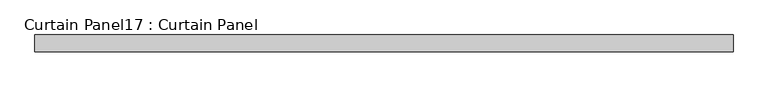
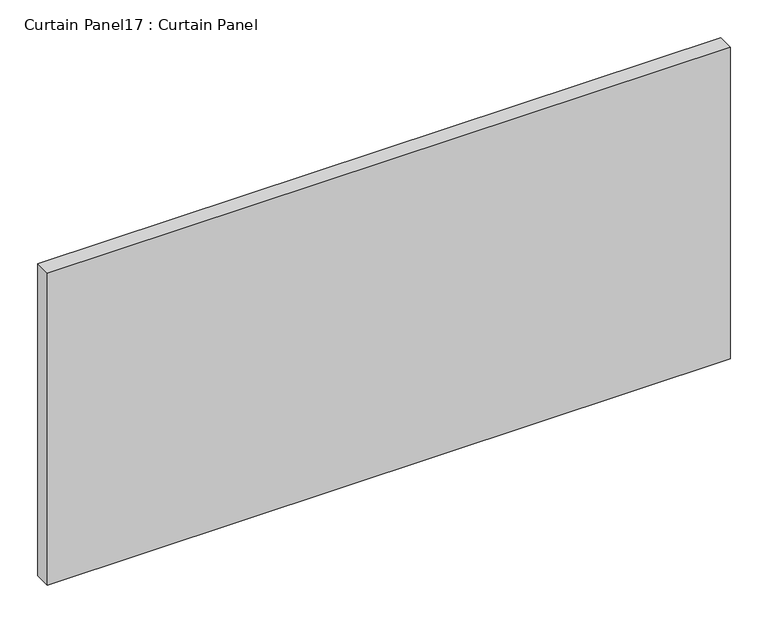
"""IFC4 building model written with IfcOpenShell, lengths in millimetres: plate geometry, Curtain Panel17 : Curtain Panel."""

import ifcopenshell
import ifcopenshell.guid

model = None  # the IFC model being written
_history = None  # IfcOwnerHistory: only IFC2X3 demands one
_inside = {}  # id of a spatial element -> (the spatial element, [elements in it])
_under = {}  # id of a project, library or spatial element -> (it, [spatial elements below it])
_declared = {}  # id of a project -> (the project, [libraries it declares])
_typed = {}  # id of a type object -> (the type object, [elements of that type])
_made_of = {}  # id of a material, layer set ... -> (it, [elements and type objects made of it])


def new_model(schema):
    """Start an empty IFC model of exactly this schema.

    Asked for "IFC4X3", IfcOpenShell would pick the latest addendum, in which some entities
    have other attributes; the version numbers below select the first issue.
    IFC2X3 requires an IfcOwnerHistory on every rooted entity: one is made here for all.
    """
    global model, _history
    if schema == "IFC4X3":
        model = ifcopenshell.file(schema_version=(4, 3, 0, 0))
    else:
        model = ifcopenshell.file(schema=schema)
    _inside.clear()
    _under.clear()
    _declared.clear()
    _typed.clear()
    _made_of.clear()
    _history = None
    if model.schema == "IFC2X3":
        org = make("IfcOrganization", Name="unknown")
        user = make(
            "IfcPersonAndOrganization",
            ThePerson=make("IfcPerson", FamilyName="unknown"),
            TheOrganization=org,
        )
        app = make(
            "IfcApplication",
            ApplicationDeveloper=org,
            Version="unknown",
            ApplicationFullName="unknown",
            ApplicationIdentifier="unknown",
        )
        _history = make(
            "IfcOwnerHistory",
            OwningUser=user,
            OwningApplication=app,
            ChangeAction="ADDED",
            CreationDate=0,
        )
    return model


def make(cls, **values):
    """One entity of the class cls with the attributes given. An attribute that is None is left unset."""
    return model.create_entity(
        cls, **{name: value for name, value in values.items() if value is not None}
    )


def rooted(cls, **values):
    """An entity with a GlobalId (a new one), such as an element, a storey or a relation."""
    return make(cls, GlobalId=ifcopenshell.guid.new(), OwnerHistory=_history, **values)


def si_unit(unit_type, name, prefix=None):
    """IfcSIUnit, for example si_unit("LENGTHUNIT", "METRE", prefix="MILLI")."""
    return make("IfcSIUnit", UnitType=unit_type, Prefix=prefix, Name=name)


def assignment(units):
    """IfcUnitAssignment: the units of a project."""
    return None if units is None else make("IfcUnitAssignment", Units=units)


def point(xyz):
    """IfcCartesianPoint."""
    return None if xyz is None else make("IfcCartesianPoint", Coordinates=xyz)


def direction(xyz):
    """IfcDirection."""
    return None if xyz is None else make("IfcDirection", DirectionRatios=xyz)


def frame(location, z_axis=None, x_axis=None):
    """IfcAxis2Placement3D, a coordinate frame: its origin and axes. An axis left out is left unset."""
    return make(
        "IfcAxis2Placement3D",
        Location=point(location),
        Axis=direction(z_axis),
        RefDirection=direction(x_axis),
    )


def origin():
    """The frame at (0, 0, 0) with its axes left unset."""
    return frame((0.0, 0.0, 0.0))


def place(relative_to, where):
    """IfcLocalPlacement: puts the frame where relative to a parent placement (None: the world)."""
    return make(
        "IfcLocalPlacement", PlacementRelTo=relative_to, RelativePlacement=where
    )


def context(
    kind, dimensions, precision=None, world=None, true_north=None, identifier=None
):
    """IfcGeometricRepresentationContext, for example the 3D "Model" context."""
    return make(
        "IfcGeometricRepresentationContext",
        ContextIdentifier=identifier,
        ContextType=kind,
        CoordinateSpaceDimension=dimensions,
        Precision=precision,
        WorldCoordinateSystem=world,
        TrueNorth=true_north,
    )


def project(units=None, contexts=None):
    """IfcProject with its units and contexts."""
    return rooted(
        "IfcProject",
        Name="project",
        RepresentationContexts=contexts,
        UnitsInContext=assignment(units),
    )


def spatial(cls, under=None, at=None, **own):
    """A site, building, storey or space (cls), placed at a placement, below another one or the project."""
    s = rooted(cls, ObjectPlacement=at, **own)
    if under is not None:
        _under.setdefault(under.id(), (under, []))[1].append(s)
    return s


def polyline(points):
    """IfcPolyline through the points."""
    return make("IfcPolyline", Points=[point(p) for p in points])


def outline(outer, holes=None, kind="AREA"):
    """IfcArbitraryClosedProfileDef: a profile drawn as a closed curve; with holes, ...WithVoids."""
    if holes is None:
        return make("IfcArbitraryClosedProfileDef", ProfileType=kind, OuterCurve=outer)
    return make(
        "IfcArbitraryProfileDefWithVoids",
        ProfileType=kind,
        OuterCurve=outer,
        InnerCurves=holes,
    )


def extrude(swept, where, along, depth):
    """IfcExtrudedAreaSolid: the profile swept, set in the frame where, extruded along a direction by depth."""
    return make(
        "IfcExtrudedAreaSolid",
        SweptArea=swept,
        Position=where,
        ExtrudedDirection=direction(along),
        Depth=depth,
    )


def shape(context_of_items, identifier, shape_type, items):
    """IfcShapeRepresentation: the items that make up one representation, for example the "Body"."""
    return make(
        "IfcShapeRepresentation",
        ContextOfItems=context_of_items,
        RepresentationIdentifier=identifier,
        RepresentationType=shape_type,
        Items=items,
    )


def source(mapping_origin, context_of_items, identifier, shape_type, items):
    """IfcRepresentationMap: a shape defined once, which mapped items show again and again."""
    return make(
        "IfcRepresentationMap",
        MappingOrigin=mapping_origin,
        MappedRepresentation=shape(context_of_items, identifier, shape_type, items),
    )


def transform(
    local_origin,
    x_axis=None,
    y_axis=None,
    z_axis=None,
    scale=None,
    scale2=None,
    scale3=None,
    uniform=True,
):
    """IfcCartesianTransformationOperator3D, or its non-uniform kind. x_axis, y_axis, z_axis: its Axis1, 2, 3."""
    if uniform:
        return make(
            "IfcCartesianTransformationOperator3D",
            Axis1=direction(x_axis),
            Axis2=direction(y_axis),
            LocalOrigin=point(local_origin),
            Scale=scale,
            Axis3=direction(z_axis),
        )
    return make(
        "IfcCartesianTransformationOperator3DnonUniform",
        Axis1=direction(x_axis),
        Axis2=direction(y_axis),
        LocalOrigin=point(local_origin),
        Scale=scale,
        Axis3=direction(z_axis),
        Scale2=scale2,
        Scale3=scale3,
    )


def mapped(mapping_source, mapping_target):
    """IfcMappedItem: shows the shape of a source again, moved by a transform."""
    return make(
        "IfcMappedItem", MappingSource=mapping_source, MappingTarget=mapping_target
    )


def made_of(thing, what):
    """Note that an element or type object is made of a material, layer set ...; save() writes the relation."""
    if what is not None:
        _made_of.setdefault(what.id(), (what, []))[1].append(thing)
    return thing


def element(
    cls,
    number,
    at=None,
    inside=None,
    cuts=None,
    type_object=None,
    material=None,
    context=None,
    identifier="Body",
    shape_type=None,
    held_by="IfcProductDefinitionShape",
    body=None,
    shapes=None,
    **own,
):
    """One element of the class cls, such as IfcWall. Its Tag is "e" and its number.

    at: its placement. inside: the storey or other place that contains it. cuts: it is an
    opening in that element (IfcRelVoidsElement). A single representation is given by context,
    identifier, shape_type and body (its items); several are given by shapes. held_by: the class
    of the entity that holds the representations. save() writes the other relations.
    """
    e = rooted(cls, Tag="e%d" % number, ObjectPlacement=at, **own)
    if body is not None:
        shapes = [shape(context, identifier, shape_type, body)]
    if shapes is not None:
        e.Representation = make(held_by, Representations=shapes)
    if inside is not None:
        _inside.setdefault(inside.id(), (inside, []))[1].append(e)
    if cuts is not None:
        rooted(
            "IfcRelVoidsElement", RelatingBuildingElement=cuts, RelatedOpeningElement=e
        )
    if type_object is not None:
        _typed.setdefault(type_object.id(), (type_object, []))[1].append(e)
    return made_of(e, material)


def aggregate(whole, parts):
    """IfcRelAggregates: a whole, such as a stair, and the parts it consists of."""
    return rooted("IfcRelAggregates", RelatingObject=whole, RelatedObjects=parts)


def save(model, path):
    """Write the relations noted so far, then the file.

    IfcRelAggregates (storeys below a building ...), IfcRelContainedInSpatialStructure (elements
    in a storey), IfcRelDefinesByType, IfcRelAssociatesMaterial and IfcRelDeclares: one each for
    every whole, place, type object, material and project.
    """
    for whole, parts in _under.values():
        aggregate(whole, parts)
    for where, things in _inside.values():
        rooted(
            "IfcRelContainedInSpatialStructure",
            RelatedElements=things,
            RelatingStructure=where,
        )
    for kind, things in _typed.values():
        rooted("IfcRelDefinesByType", RelatedObjects=things, RelatingType=kind)
    for what, things in _made_of.values():
        rooted("IfcRelAssociatesMaterial", RelatedObjects=things, RelatingMaterial=what)
    for by, libraries in _declared.values():
        rooted("IfcRelDeclares", RelatingContext=by, RelatedDefinitions=libraries)
    model.write(path)


def curtain_panel17_curtain_panel_ffe17176(model_context):
    return source(origin(), model_context, "Body", "SweptSolid", [
        extrude(outline(polyline([(2482.7959131, 3568.3617926), (1437.1623895, 3568.3617926), (1437.1623895, 3593.7617926), (2482.7959131, 3593.7617926), (2482.7959131, 3568.3617926)])), frame((0.0, 0.0, 2020.998625), z_axis=(0.0, 0.0, 1.0), x_axis=(1.0, 0.0, 0.0)), (0.0, 0.0, 1.0), 504.60275),
    ])


if __name__ == "__main__":
    model = new_model("IFC4")
    model_context = context("Model", 3, world=origin())
    ifc_project = project(units=[si_unit("LENGTHUNIT", "METRE", prefix="MILLI")], contexts=[model_context])
    site = spatial("IfcSite", under=ifc_project)
    building = spatial("IfcBuilding", under=site)
    placement = place(None, origin())
    curtain_panel17_curtain_panel_shape = curtain_panel17_curtain_panel_ffe17176(model_context)
    element("IfcPlate", 1, ObjectType="Curtain Panel17 : Curtain Panel", at=placement, inside=building, context=model_context, shape_type="MappedRepresentation", body=[
        mapped(curtain_panel17_curtain_panel_shape, transform((0.0, 0.0, 0.0), x_axis=(1.0, 0.0, 0.0), y_axis=(0.0, 1.0, 0.0), z_axis=(0.0, 0.0, 1.0))),
    ])
    save(model, "model.ifc")
